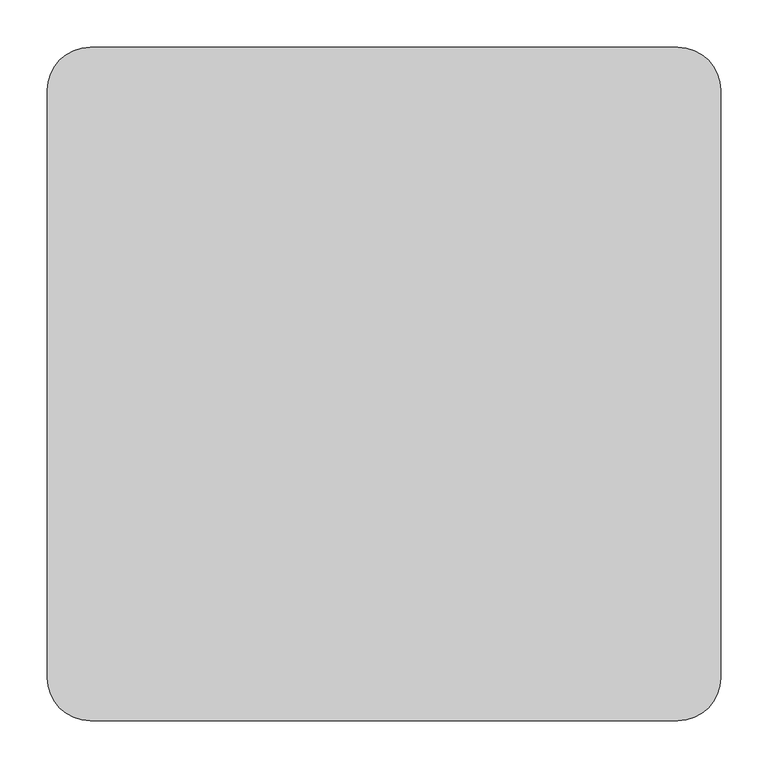
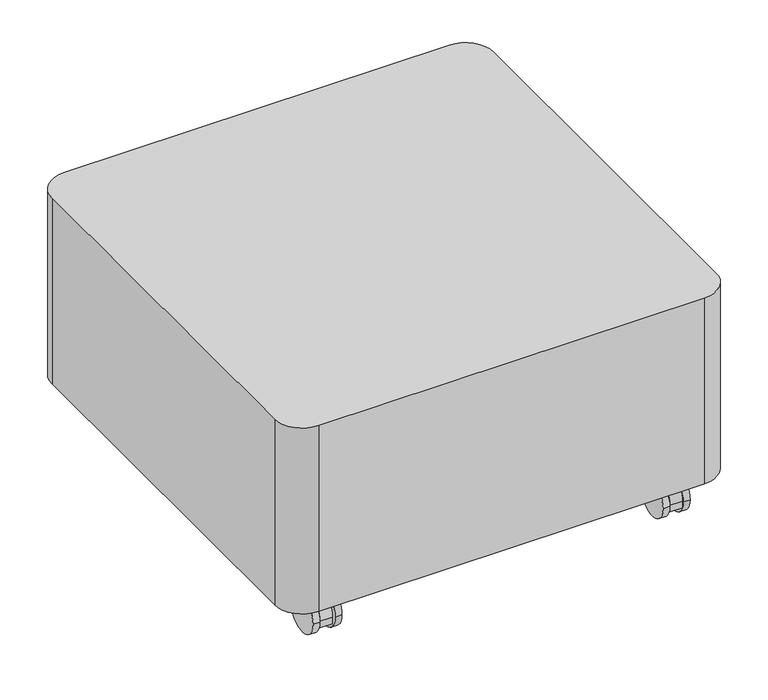
"""IFC4 building model written with IfcOpenShell, lengths in millimetres: furniture geometry."""

from ifc_helpers import new_model, si_unit, point, frame, frame_2d, origin, place, context, project, spatial, polyline, circle_curve, trimmed, segment, composite_curve, outline, extrude, source, transform, mapped, element, save


def furniture_91171c99(model_context):
    return source(origin(), model_context, "Body", "SweptSolid", [
        extrude(outline(composite_curve([segment(trimmed(circle_curve(frame_2d((635.1730628, -75.5990192)), 7.9398701), [point((635.1730628, -83.5388893))], [point((635.1730628, -67.6591491))], False, "CARTESIAN"), True, "CONTINUOUS"), segment(trimmed(circle_curve(frame_2d((635.1730628, -75.5990192)), 7.9398701), [point((635.1730628, -67.6591491))], [point((635.1730628, -83.5388893))], False, "CARTESIAN"), True, "CONTINUOUS")], self_intersect=False)), frame((0.0, 0.0, 45.5168), z_axis=(0.0, 0.0, 1.0), x_axis=(1.0, 0.0, 0.0)), (0.0, 0.0, 1.0), 28.1686),
        extrude(outline(composite_curve([segment(trimmed(circle_curve(frame_2d((634.9746253, -634.9999758)), 7.9398701), [point((634.9746253, -642.9398459))], [point((634.9746253, -627.0601057))], False, "CARTESIAN"), True, "CONTINUOUS"), segment(trimmed(circle_curve(frame_2d((634.9746253, -634.9999758)), 7.9398701), [point((634.9746253, -627.0601057))], [point((634.9746253, -642.9398459))], False, "CARTESIAN"), True, "CONTINUOUS")], self_intersect=False)), frame((0.0, 0.0, 45.5168), z_axis=(0.0, 0.0, 1.0), x_axis=(1.0, 0.0, 0.0)), (0.0, 0.0, 1.0), 28.1686),
        extrude(outline(composite_curve([segment(trimmed(circle_curve(frame_2d((71.9121629, -75.5990192)), 7.9398701), [point((71.9121629, -67.6591491))], [point((71.9121629, -83.5388893))], False, "CARTESIAN"), True, "CONTINUOUS"), segment(trimmed(circle_curve(frame_2d((71.9121629, -75.5990192)), 7.9398701), [point((71.9121629, -83.5388893))], [point((71.9121629, -67.6591491))], False, "CARTESIAN"), True, "CONTINUOUS")], self_intersect=False)), frame((0.0, 0.0, 45.5168), z_axis=(0.0, 0.0, 1.0), x_axis=(1.0, 0.0, 0.0)), (0.0, 0.0, 1.0), 28.1686),
        extrude(outline(composite_curve([segment(trimmed(circle_curve(frame_2d((-94.9892986, 30.5734897)), 30.5734897), [point((-125.5627883, 30.5734897))], [point((-64.4158089, 30.5734897))], False, "CARTESIAN"), True, "CONTINUOUS"), segment(trimmed(circle_curve(frame_2d((-94.9892986, 30.5734897)), 30.5734897), [point((-64.4158089, 30.5734897))], [point((-125.5627883, 30.5734897))], False, "CARTESIAN"), True, "CONTINUOUS")], self_intersect=False)), frame((613.264016, 0.0, 0.0), z_axis=(1.0, 0.0, 0.0), x_axis=(0.0, 1.0, 0.0)), (0.0, 0.0, 1.0), 10.7124094),
        extrude(outline(composite_curve([segment(trimmed(circle_curve(frame_2d((-94.9892986, 30.5734897)), 30.5734897), [point((-125.5627883, 30.5734897))], [point((-64.4158089, 30.5734897))], False, "CARTESIAN"), True, "CONTINUOUS"), segment(trimmed(circle_curve(frame_2d((-94.9892986, 30.5734897)), 30.5734897), [point((-64.4158089, 30.5734897))], [point((-125.5627883, 30.5734897))], False, "CARTESIAN"), True, "CONTINUOUS")], self_intersect=False)), frame((645.9728253, 0.0, 0.0), z_axis=(1.0, 0.0, 0.0), x_axis=(0.0, 1.0, 0.0)), (0.0, 0.0, 1.0), 10.7124094),
        extrude(outline(composite_curve([segment(trimmed(circle_curve(frame_2d((-95.0180306, 31.8581484)), 29.288845), [point((-124.3035279, 31.4153226))], [point((-65.7334586, 31.3578659))], False, "CARTESIAN"), True, "CONTINUOUS"), segment(polyline([(-65.7334586, 31.3578659), (-65.9235163, 20.2326336), (-124.1344345, 20.2326336), (-124.3035279, 31.4153226)]), True, "CONTINUOUS")], self_intersect=False)), frame((624.9400975, 0.0, 0.0), z_axis=(1.0, 0.0, 0.0), x_axis=(0.0, 1.0, 0.0)), (0.0, 0.0, 1.0), 20.0752281),
        extrude(outline(composite_curve([segment(polyline([(612.5972262, -45.0323496), (657.3520244, -45.0323496)]), True, "CONTINUOUS"), segment(trimmed(circle_curve(frame_2d((657.3520244, -52.6523496)), 7.62), [point((657.3520244, -45.0323496))], [point((664.9720244, -52.6523496))], False, "CARTESIAN"), True, "CONTINUOUS"), segment(polyline([(664.9720244, -52.6523496), (664.9720244, -97.404618)]), True, "CONTINUOUS"), segment(trimmed(circle_curve(frame_2d((657.3520244, -97.404618)), 7.62), [point((664.9720244, -97.404618))], [point((657.3520244, -105.024618))], False, "CARTESIAN"), True, "CONTINUOUS"), segment(polyline([(657.3520244, -105.024618), (612.6096386, -105.024618)]), True, "CONTINUOUS"), segment(trimmed(circle_curve(frame_2d((612.6096386, -97.3922056)), 7.6324124), [point((612.6096386, -105.024618))], [point((604.9772262, -97.3922056))], False, "CARTESIAN"), True, "CONTINUOUS"), segment(polyline([(604.9772262, -97.3922056), (604.9772262, -52.6523496)]), True, "CONTINUOUS"), segment(trimmed(circle_curve(frame_2d((612.5972262, -52.6523496)), 7.62), [point((604.9772262, -52.6523496))], [point((612.5972262, -45.0323496))], False, "CARTESIAN"), True, "CONTINUOUS")], self_intersect=False)), frame((0.0, 0.0, 71.6534), z_axis=(0.0, 0.0, 1.0), x_axis=(1.0, 0.0, 0.0)), (0.0, 0.0, 1.0), 2.032),
        extrude(outline(composite_curve([segment(trimmed(circle_curve(frame_2d((-654.9595551, 30.5734897)), 30.5734897), [point((-685.5330448, 30.5734897))], [point((-624.3860654, 30.5734897))], False, "CARTESIAN"), True, "CONTINUOUS"), segment(trimmed(circle_curve(frame_2d((-654.9595551, 30.5734897)), 30.5734897), [point((-624.3860654, 30.5734897))], [point((-685.5330448, 30.5734897))], False, "CARTESIAN"), True, "CONTINUOUS")], self_intersect=False)), frame((613.264016, 0.0, 0.0), z_axis=(1.0, 0.0, 0.0), x_axis=(0.0, 1.0, 0.0)), (0.0, 0.0, 1.0), 10.7124094),
        extrude(outline(composite_curve([segment(trimmed(circle_curve(frame_2d((-654.9595551, 30.5734897)), 30.5734897), [point((-685.5330448, 30.5734897))], [point((-624.3860654, 30.5734897))], False, "CARTESIAN"), True, "CONTINUOUS"), segment(trimmed(circle_curve(frame_2d((-654.9595551, 30.5734897)), 30.5734897), [point((-624.3860654, 30.5734897))], [point((-685.5330448, 30.5734897))], False, "CARTESIAN"), True, "CONTINUOUS")], self_intersect=False)), frame((645.9728253, 0.0, 0.0), z_axis=(1.0, 0.0, 0.0), x_axis=(0.0, 1.0, 0.0)), (0.0, 0.0, 1.0), 10.7124094),
        extrude(outline(composite_curve([segment(trimmed(circle_curve(frame_2d((-654.9882872, 31.8581484)), 29.288845), [point((-684.2737845, 31.4153226))], [point((-625.7037151, 31.3578659))], False, "CARTESIAN"), True, "CONTINUOUS"), segment(polyline([(-625.7037151, 31.3578659), (-625.8937729, 20.2326336), (-684.1046911, 20.2326336), (-684.2737845, 31.4153226)]), True, "CONTINUOUS")], self_intersect=False)), frame((624.9400975, 0.0, 0.0), z_axis=(1.0, 0.0, 0.0), x_axis=(0.0, 1.0, 0.0)), (0.0, 0.0, 1.0), 20.0752281),
        extrude(outline(composite_curve([segment(polyline([(612.5972262, -605.0026062), (657.3520244, -605.0026062)]), True, "CONTINUOUS"), segment(trimmed(circle_curve(frame_2d((657.3520244, -612.6226062)), 7.62), [point((657.3520244, -605.0026062))], [point((664.9720244, -612.6226062))], False, "CARTESIAN"), True, "CONTINUOUS"), segment(polyline([(664.9720244, -612.6226062), (664.9720244, -657.3748746)]), True, "CONTINUOUS"), segment(trimmed(circle_curve(frame_2d((657.3520244, -657.3748746)), 7.62), [point((664.9720244, -657.3748746))], [point((657.3520244, -664.9948746))], False, "CARTESIAN"), True, "CONTINUOUS"), segment(polyline([(657.3520244, -664.9948746), (612.6096386, -664.9948746)]), True, "CONTINUOUS"), segment(trimmed(circle_curve(frame_2d((612.6096386, -657.3624622)), 7.6324124), [point((612.6096386, -664.9948746))], [point((604.9772262, -657.3624622))], False, "CARTESIAN"), True, "CONTINUOUS"), segment(polyline([(604.9772262, -657.3624622), (604.9772262, -612.6226062)]), True, "CONTINUOUS"), segment(trimmed(circle_curve(frame_2d((612.5972262, -612.6226062)), 7.62), [point((604.9772262, -612.6226062))], [point((612.5972262, -605.0026062))], False, "CARTESIAN"), True, "CONTINUOUS")], self_intersect=False)), frame((0.0, 0.0, 71.6534), z_axis=(0.0, 0.0, 1.0), x_axis=(1.0, 0.0, 0.0)), (0.0, 0.0, 1.0), 2.032),
        extrude(outline(composite_curve([segment(trimmed(circle_curve(frame_2d((-94.9892986, 30.5734897)), 30.5734897), [point((-125.5627883, 30.5734897))], [point((-64.4158089, 30.5734897))], False, "CARTESIAN"), True, "CONTINUOUS"), segment(trimmed(circle_curve(frame_2d((-94.9892986, 30.5734897)), 30.5734897), [point((-64.4158089, 30.5734897))], [point((-125.5627883, 30.5734897))], False, "CARTESIAN"), True, "CONTINUOUS")], self_intersect=False)), frame((86.0298006, 0.0, 0.0), z_axis=(1.0, 0.0, 0.0), x_axis=(0.0, 1.0, 0.0)), (0.0, 0.0, 1.0), 10.7124094),
        extrude(outline(composite_curve([segment(trimmed(circle_curve(frame_2d((-94.9892986, 30.5734897)), 30.5734897), [point((-125.5627883, 30.5734897))], [point((-64.4158089, 30.5734897))], False, "CARTESIAN"), True, "CONTINUOUS"), segment(trimmed(circle_curve(frame_2d((-94.9892986, 30.5734897)), 30.5734897), [point((-64.4158089, 30.5734897))], [point((-125.5627883, 30.5734897))], False, "CARTESIAN"), True, "CONTINUOUS")], self_intersect=False)), frame((50.3999911, 0.0, 0.0), z_axis=(1.0, 0.0, 0.0), x_axis=(0.0, 1.0, 0.0)), (0.0, 0.0, 1.0), 10.7124094),
        extrude(outline(composite_curve([segment(trimmed(circle_curve(frame_2d((-95.0180306, 31.8581484)), 29.288845), [point((-124.3035279, 31.4153226))], [point((-65.7334586, 31.3578659))], False, "CARTESIAN"), True, "CONTINUOUS"), segment(polyline([(-65.7334586, 31.3578659), (-65.9235163, 20.2326336), (-124.1344345, 20.2326336), (-124.3035279, 31.4153226)]), True, "CONTINUOUS")], self_intersect=False)), frame((62.0699002, 0.0, 0.0), z_axis=(1.0, 0.0, 0.0), x_axis=(0.0, 1.0, 0.0)), (0.0, 0.0, 1.0), 20.0752281),
        extrude(outline(composite_curve([segment(trimmed(circle_curve(frame_2d((94.4879995, -52.6523496)), 7.62), [point((94.4879995, -45.0323496))], [point((102.1079995, -52.6523496))], False, "CARTESIAN"), True, "CONTINUOUS"), segment(polyline([(102.1079995, -52.6523496), (102.1079995, -97.3922056)]), True, "CONTINUOUS"), segment(trimmed(circle_curve(frame_2d((94.4755871, -97.3922056)), 7.6324124), [point((102.1079995, -97.3922056))], [point((94.4755871, -105.024618))], False, "CARTESIAN"), True, "CONTINUOUS"), segment(polyline([(94.4755871, -105.024618), (49.7332013, -105.024618)]), True, "CONTINUOUS"), segment(trimmed(circle_curve(frame_2d((49.7332013, -97.404618)), 7.62), [point((49.7332013, -105.024618))], [point((42.1132013, -97.404618))], False, "CARTESIAN"), True, "CONTINUOUS"), segment(polyline([(42.1132013, -97.404618), (42.1132013, -52.6523496)]), True, "CONTINUOUS"), segment(trimmed(circle_curve(frame_2d((49.7332013, -52.6523496)), 7.62), [point((42.1132013, -52.6523496))], [point((49.7332013, -45.0323496))], False, "CARTESIAN"), True, "CONTINUOUS"), segment(polyline([(49.7332013, -45.0323496), (94.4879995, -45.0323496)]), True, "CONTINUOUS")], self_intersect=False)), frame((0.0, 0.0, 71.6534), z_axis=(0.0, 0.0, 1.0), x_axis=(1.0, 0.0, 0.0)), (0.0, 0.0, 1.0), 2.032),
        extrude(outline(composite_curve([segment(trimmed(circle_curve(frame_2d((-654.9595551, 30.5734897)), 30.5734897), [point((-685.5330448, 30.5734897))], [point((-624.3860654, 30.5734897))], False, "CARTESIAN"), True, "CONTINUOUS"), segment(trimmed(circle_curve(frame_2d((-654.9595551, 30.5734897)), 30.5734897), [point((-624.3860654, 30.5734897))], [point((-685.5330448, 30.5734897))], False, "CARTESIAN"), True, "CONTINUOUS")], self_intersect=False)), frame((86.0298006, 0.0, 0.0), z_axis=(1.0, 0.0, 0.0), x_axis=(0.0, 1.0, 0.0)), (0.0, 0.0, 1.0), 10.7124094),
        extrude(outline(composite_curve([segment(trimmed(circle_curve(frame_2d((-654.9595551, 30.5734897)), 30.5734897), [point((-685.5330448, 30.5734897))], [point((-624.3860654, 30.5734897))], False, "CARTESIAN"), True, "CONTINUOUS"), segment(trimmed(circle_curve(frame_2d((-654.9595551, 30.5734897)), 30.5734897), [point((-624.3860654, 30.5734897))], [point((-685.5330448, 30.5734897))], False, "CARTESIAN"), True, "CONTINUOUS")], self_intersect=False)), frame((50.3999911, 0.0, 0.0), z_axis=(1.0, 0.0, 0.0), x_axis=(0.0, 1.0, 0.0)), (0.0, 0.0, 1.0), 10.7124094),
        extrude(outline(composite_curve([segment(trimmed(circle_curve(frame_2d((-654.9882872, 31.8581484)), 29.288845), [point((-684.2737845, 31.4153226))], [point((-625.7037151, 31.3578659))], False, "CARTESIAN"), True, "CONTINUOUS"), segment(polyline([(-625.7037151, 31.3578659), (-625.8937729, 20.2326336), (-684.1046911, 20.2326336), (-684.2737845, 31.4153226)]), True, "CONTINUOUS")], self_intersect=False)), frame((62.0699002, 0.0, 0.0), z_axis=(1.0, 0.0, 0.0), x_axis=(0.0, 1.0, 0.0)), (0.0, 0.0, 1.0), 20.0752281),
        extrude(outline(composite_curve([segment(trimmed(circle_curve(frame_2d((72.1106004, -634.9999758)), 7.9398701), [point((72.1106004, -627.0601057))], [point((72.1106004, -642.9398459))], False, "CARTESIAN"), True, "CONTINUOUS"), segment(trimmed(circle_curve(frame_2d((72.1106004, -634.9999758)), 7.9398701), [point((72.1106004, -642.9398459))], [point((72.1106004, -627.0601057))], False, "CARTESIAN"), True, "CONTINUOUS")], self_intersect=False)), frame((0.0, 0.0, 45.5168), z_axis=(0.0, 0.0, 1.0), x_axis=(1.0, 0.0, 0.0)), (0.0, 0.0, 1.0), 28.1686),
        extrude(outline(composite_curve([segment(trimmed(circle_curve(frame_2d((94.4879995, -612.6226062)), 7.62), [point((94.4879995, -605.0026062))], [point((102.1079995, -612.6226062))], False, "CARTESIAN"), True, "CONTINUOUS"), segment(polyline([(102.1079995, -612.6226062), (102.1079995, -657.3624622)]), True, "CONTINUOUS"), segment(trimmed(circle_curve(frame_2d((94.4755871, -657.3624622)), 7.6324124), [point((102.1079995, -657.3624622))], [point((94.4755871, -664.9948746))], False, "CARTESIAN"), True, "CONTINUOUS"), segment(polyline([(94.4755871, -664.9948746), (49.7332013, -664.9948746)]), True, "CONTINUOUS"), segment(trimmed(circle_curve(frame_2d((49.7332013, -657.3748746)), 7.62), [point((49.7332013, -664.9948746))], [point((42.1132013, -657.3748746))], False, "CARTESIAN"), True, "CONTINUOUS"), segment(polyline([(42.1132013, -657.3748746), (42.1132013, -612.6226062)]), True, "CONTINUOUS"), segment(trimmed(circle_curve(frame_2d((49.7332013, -612.6226062)), 7.62), [point((42.1132013, -612.6226062))], [point((49.7332013, -605.0026062))], False, "CARTESIAN"), True, "CONTINUOUS"), segment(polyline([(49.7332013, -605.0026062), (94.4879995, -605.0026062)]), True, "CONTINUOUS")], self_intersect=False)), frame((0.0, 0.0, 71.6534), z_axis=(0.0, 0.0, 1.0), x_axis=(1.0, 0.0, 0.0)), (0.0, 0.0, 1.0), 2.032),
        extrude(outline(composite_curve([segment(trimmed(circle_curve(frame_2d((662.0763998, -50.309449)), 45.0088), [point((662.0763998, -5.300649))], [point((707.0851998, -50.309449))], False, "CARTESIAN"), True, "CONTINUOUS"), segment(polyline([(707.0851998, -50.309449), (707.0851998, -670.298049)]), True, "CONTINUOUS"), segment(trimmed(circle_curve(frame_2d((662.0763998, -670.298049)), 45.0088), [point((707.0851998, -670.298049))], [point((662.0763998, -715.306849))], False, "CARTESIAN"), True, "CONTINUOUS"), segment(polyline([(662.0763998, -715.306849), (42.0877998, -715.306849)]), True, "CONTINUOUS"), segment(trimmed(circle_curve(frame_2d((42.0877998, -670.298049)), 45.0088), [point((42.0877998, -715.306849))], [point((-2.9210002, -670.298049))], False, "CARTESIAN"), True, "CONTINUOUS"), segment(polyline([(-2.9210002, -670.298049), (-2.9210002, -50.309449)]), True, "CONTINUOUS"), segment(trimmed(circle_curve(frame_2d((42.0877998, -50.309449)), 45.0088), [point((-2.9210002, -50.309449))], [point((42.0877998, -5.300649))], False, "CARTESIAN"), True, "CONTINUOUS"), segment(polyline([(42.0877998, -5.300649), (662.0763998, -5.300649)]), True, "CONTINUOUS")], self_intersect=False)), frame((0.0, 0.0, 73.6854), z_axis=(0.0, 0.0, 1.0), x_axis=(1.0, 0.0, 0.0)), (0.0, 0.0, 1.0), 316.321681),
    ])


if __name__ == "__main__":
    model = new_model("IFC4")
    model_context = context("Model", 3, world=origin())
    ifc_project = project(units=[si_unit("LENGTHUNIT", "METRE", prefix="MILLI")], contexts=[model_context])
    site = spatial("IfcSite", under=ifc_project)
    building = spatial("IfcBuilding", under=site)
    placement = place(None, origin())
    furniture_shape = furniture_91171c99(model_context)
    element("IfcFurniture", 1, at=placement, inside=building, context=model_context, shape_type="MappedRepresentation", body=[
        mapped(furniture_shape, transform((0.0, 0.0, 0.0), x_axis=(1.0, 0.0, 0.0), y_axis=(0.0, 1.0, 0.0), z_axis=(0.0, 0.0, 1.0))),
    ])
    save(model, "model.ifc")
